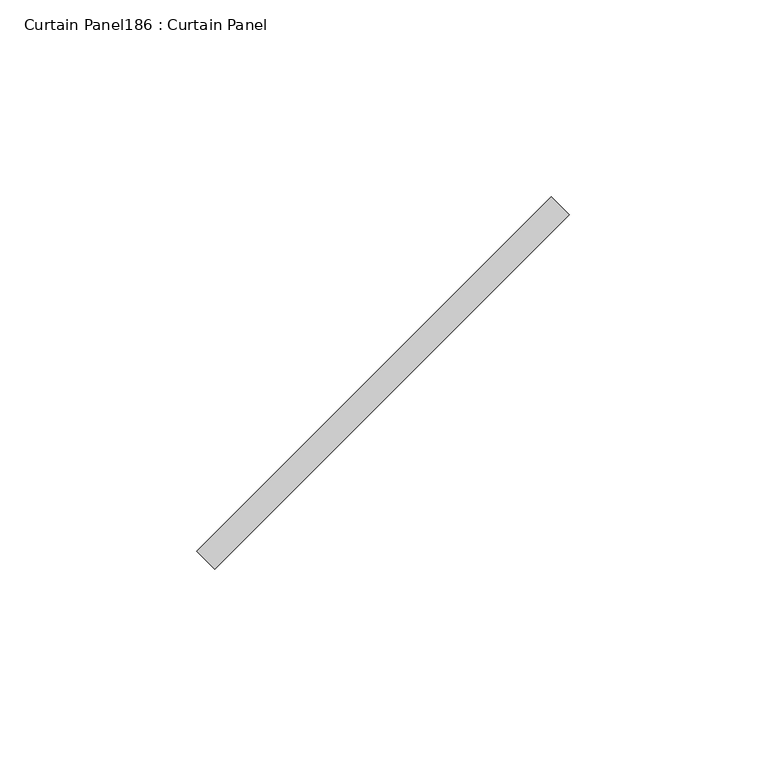
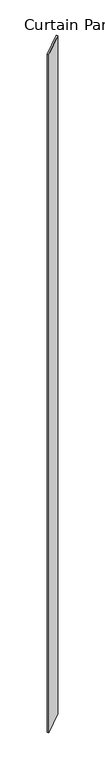
"""IFC4 building model written with IfcOpenShell, lengths in millimetres: plate geometry, Curtain Panel186 : Curtain Panel."""

from ifc_helpers import new_model, si_unit, frame, origin, place, context, project, spatial, polyline, outline, extrude, source, transform, mapped, element, save


def curtain_panel186_curtain_panel_c3f9241a(model_context):
    return source(origin(), model_context, "Body", "SweptSolid", [
        extrude(outline(polyline([(589648.7972037, 2395.8007924), (589738.8673253, 2485.870914), (589743.3574533, 2481.3807859), (589653.2873317, 2391.3106644), (589648.7972037, 2395.8007924)])), frame((0.0, 0.0, 4959.7989371), z_axis=(0.0, 0.0, 1.0), x_axis=(1.0, 0.0, 0.0)), (0.0, 0.0, 1.0), 3048.0),
    ])


if __name__ == "__main__":
    model = new_model("IFC4")
    model_context = context("Model", 3, world=origin())
    ifc_project = project(units=[si_unit("LENGTHUNIT", "METRE", prefix="MILLI")], contexts=[model_context])
    site = spatial("IfcSite", under=ifc_project)
    building = spatial("IfcBuilding", under=site)
    placement = place(None, origin())
    curtain_panel186_curtain_panel_shape = curtain_panel186_curtain_panel_c3f9241a(model_context)
    element("IfcPlate", 1, ObjectType="Curtain Panel186 : Curtain Panel", at=placement, inside=building, context=model_context, shape_type="MappedRepresentation", body=[
        mapped(curtain_panel186_curtain_panel_shape, transform((0.0, 0.0, 0.0), x_axis=(1.0, 0.0, 0.0), y_axis=(0.0, 1.0, 0.0), z_axis=(0.0, 0.0, 1.0))),
    ])
    save(model, "model.ifc")
